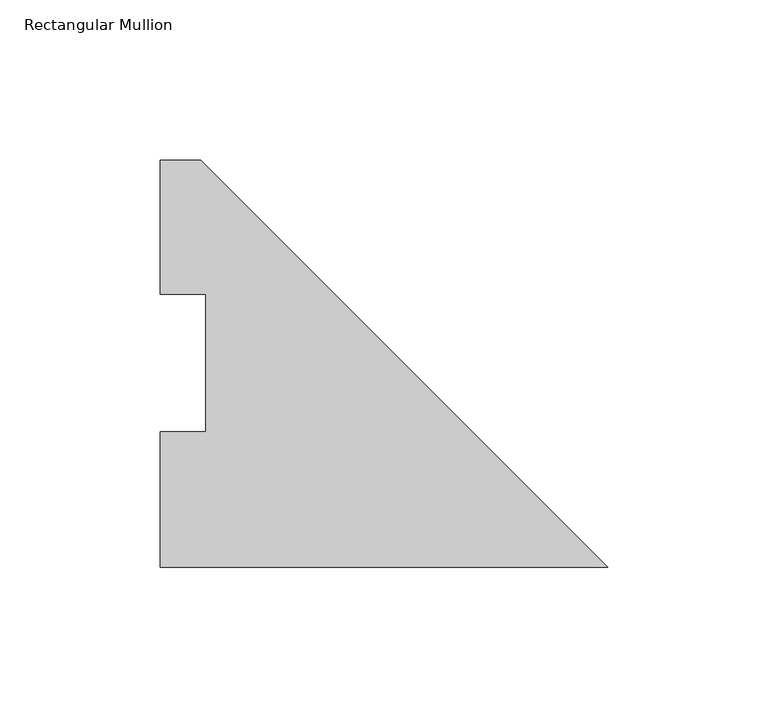
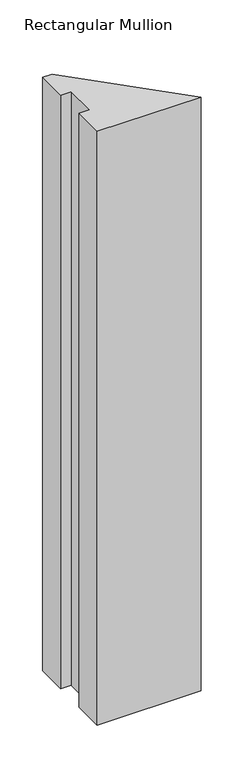
"""IFC4 building model written with IfcOpenShell, lengths in millimetres: member geometry, Rectangular Mullion."""

from ifc_helpers import new_model, si_unit, frame, origin, place, context, project, spatial, polyline, outline, extrude, source, transform, mapped, element, save


def rectangular_mullion_d0e02cf0(model_context):
    return source(origin(), model_context, "Body", "SweptSolid", [
        extrude(outline(polyline([(-139.7, -0.20955), (-139.7, 42.08145), (-125.4125, 42.08145), (-125.4125, 84.93125), (-139.7, 84.93125), (-139.7, 126.79045), (-127.0, 126.79045), (0.0, -0.20955), (-139.7, -0.20955)])), frame((0.0, 0.0, -844.55), z_axis=(0.0, 0.0, 1.0), x_axis=(1.0, 0.0, 0.0)), (0.0, 0.0, 1.0), 844.55),
    ])


if __name__ == "__main__":
    model = new_model("IFC4")
    model_context = context("Model", 3, world=origin())
    ifc_project = project(units=[si_unit("LENGTHUNIT", "METRE", prefix="MILLI")], contexts=[model_context])
    site = spatial("IfcSite", under=ifc_project)
    building = spatial("IfcBuilding", under=site)
    placement = place(None, origin())
    rectangular_mullion_shape = rectangular_mullion_d0e02cf0(model_context)
    element("IfcMember", 1, ObjectType="Rectangular Mullion", at=placement, inside=building, context=model_context, shape_type="MappedRepresentation", body=[
        mapped(rectangular_mullion_shape, transform((0.0, 0.0, 0.0), x_axis=(1.0, 0.0, 0.0), y_axis=(0.0, 1.0, 0.0), z_axis=(0.0, 0.0, 1.0))),
    ])
    save(model, "model.ifc")
